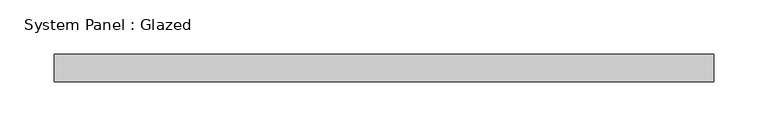
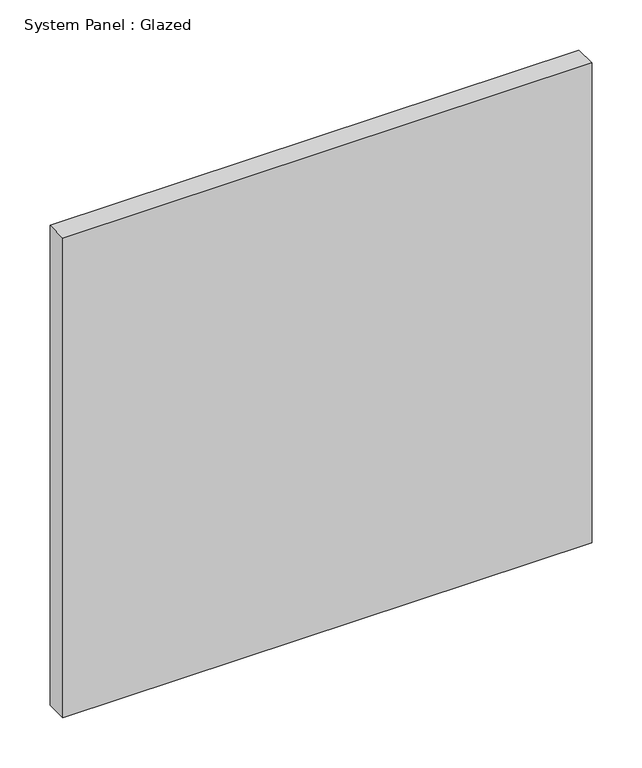
"""IFC4 building model written with IfcOpenShell, lengths in millimetres: plate geometry, System Panel : Glazed."""

from ifc_helpers import new_model, si_unit, origin, origin_with_axes, place, context, project, spatial, polyline, outline, extrude, source, transform, mapped, element, save


def system_panel_glazed_31b4dc3e(model_context):
    return source(origin(), model_context, "Body", "SweptSolid", [
        extrude(outline(polyline([(304.8, -12.7), (-304.8, -12.7), (-304.8, 12.7), (304.8, 12.7), (304.8, -12.7)])), origin_with_axes(), (0.0, 0.0, 1.0), 584.2),
    ])


if __name__ == "__main__":
    model = new_model("IFC4")
    model_context = context("Model", 3, world=origin())
    ifc_project = project(units=[si_unit("LENGTHUNIT", "METRE", prefix="MILLI")], contexts=[model_context])
    site = spatial("IfcSite", under=ifc_project)
    building = spatial("IfcBuilding", under=site)
    placement = place(None, origin())
    system_panel_glazed_shape = system_panel_glazed_31b4dc3e(model_context)
    element("IfcPlate", 1, ObjectType="System Panel : Glazed", at=placement, inside=building, context=model_context, shape_type="MappedRepresentation", body=[
        mapped(system_panel_glazed_shape, transform((0.0, 0.0, 0.0), x_axis=(1.0, 0.0, 0.0), y_axis=(0.0, 1.0, 0.0), z_axis=(0.0, 0.0, 1.0))),
    ])
    save(model, "model.ifc")
